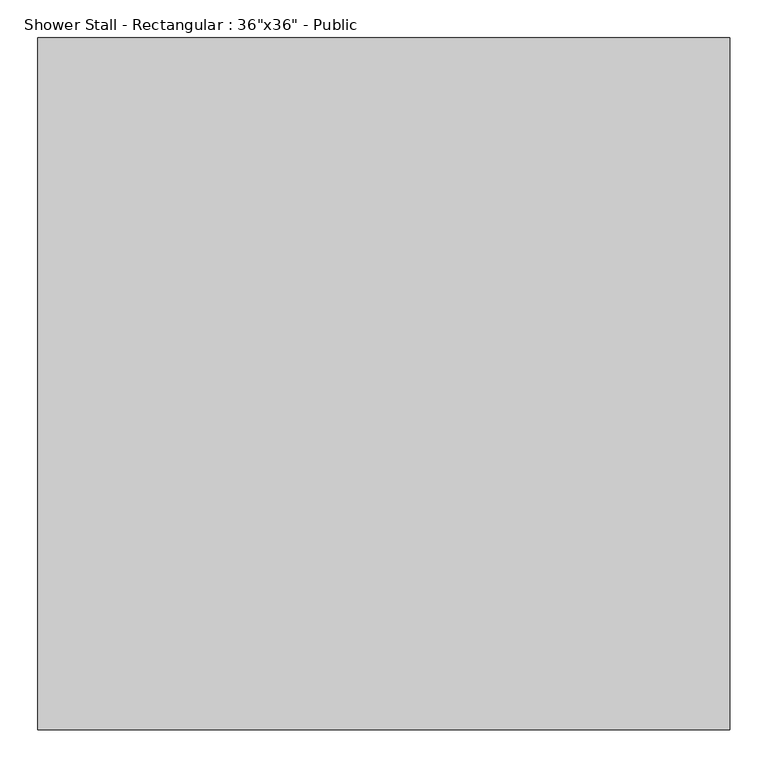
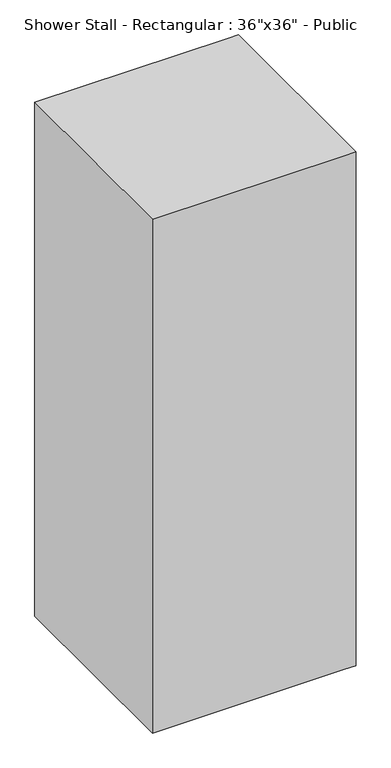
"""IFC4 building model written with IfcOpenShell, lengths in millimetres: flow terminal geometry."""

from ifc_helpers import new_model, si_unit, point, frame, frame_2d, origin, origin_with_axes, place, context, project, spatial, polyline, circle_curve, trimmed, segment, composite_curve, outline, extrude, faceted_brep, source, transform, mapped, element, save


def flow_terminal_f7639dc1(model_context):
    return source(origin(), model_context, "Body", "SolidModel", [
        extrude(outline(composite_curve([segment(trimmed(circle_curve(frame_2d((457.2, 457.2)), 31.75), [point((425.45, 457.2))], [point((488.95, 457.2))], False, "CARTESIAN"), True, "CONTINUOUS"), segment(trimmed(circle_curve(frame_2d((457.2, 457.2)), 31.75), [point((488.95, 457.2))], [point((425.45, 457.2))], False, "CARTESIAN"), True, "CONTINUOUS")], self_intersect=False)), origin_with_axes(), (0.0, 0.0, 1.0), 101.6),
        faceted_brep([(0.0, 914.4, 2438.4), (0.0, 0.0, 2438.4), (863.6, 0.0, 2438.4), (914.4, 0.0, 2438.4), (914.4, 914.4, 2438.4), (863.6, 914.4, 2438.4), (0.0, 0.0, 0.0), (0.0, 914.4, 0.0), (863.6, 914.4, 0.0), (914.4, 914.4, 0.0), (914.4, 0.0, 0.0), (863.6, 0.0, 0.0), (914.4, 171.45, 2362.2), (914.4, 742.95, 2362.2), (914.4, 742.95, 101.6), (914.4, 171.45, 101.6), (50.8, 863.6, 2362.2), (50.8, 50.8, 2362.2), (50.8, 50.8, 101.6), (50.8, 863.6, 101.6), (863.6, 863.6, 2362.2), (863.6, 742.95, 2362.2), (863.6, 171.45, 2362.2), (863.6, 50.8, 2362.2), (863.6, 50.8, 101.6), (863.6, 171.45, 101.6), (863.6, 742.95, 101.6), (863.6, 863.6, 101.6)], [[[0, 1, 2, 3, 4, 5]], [[6, 7, 8, 9, 10, 11]], [[4, 9, 8, 7, 0, 5]], [[1, 0, 7, 6]], [[1, 6, 11, 10, 3, 2]], [[9, 4, 3, 10], [12, 13, 14, 15]], [[16, 17, 18, 19]], [[17, 16, 20, 21, 13, 12, 22, 23]], [[18, 17, 23, 24]], [[19, 18, 24, 25, 15, 14, 26, 27]], [[16, 19, 27, 20]], [[26, 21, 20, 27]], [[14, 13, 21, 26]], [[12, 15, 25, 22]], [[22, 25, 24, 23]]]),
        extrude(outline(polyline([(901.7, 742.95), (901.7, 171.45), (869.95, 171.45), (869.95, 177.8), (895.35, 177.8), (895.35, 736.6), (869.95, 736.6), (869.95, 742.95), (901.7, 742.95)])), frame((0.0, 0.0, 762.0), z_axis=(0.0, 0.0, 1.0), x_axis=(1.0, 0.0, 0.0)), (0.0, 0.0, 1.0), 76.2),
        extrude(outline(polyline([(869.95, 742.95), (869.95, 171.45), (863.6, 171.45), (863.6, 742.95), (869.95, 742.95)])), frame((0.0, 0.0, 101.6), z_axis=(0.0, 0.0, 1.0), x_axis=(1.0, 0.0, 0.0)), (0.0, 0.0, 1.0), 2260.6),
    ])


if __name__ == "__main__":
    model = new_model("IFC4")
    model_context = context("Model", 3, world=origin())
    ifc_project = project(units=[si_unit("LENGTHUNIT", "METRE", prefix="MILLI")], contexts=[model_context])
    site = spatial("IfcSite", under=ifc_project)
    building = spatial("IfcBuilding", under=site)
    placement = place(None, origin())
    flow_terminal_shape = flow_terminal_f7639dc1(model_context)
    element("IfcFlowTerminal", 1, ObjectType="Shower Stall - Rectangular : 36\"x36\" - Public", at=placement, inside=building, context=model_context, shape_type="MappedRepresentation", body=[
        mapped(flow_terminal_shape, transform((0.0, 0.0, 0.0), x_axis=(1.0, 0.0, 0.0), y_axis=(0.0, 1.0, 0.0), z_axis=(0.0, 0.0, 1.0))),
    ])
    save(model, "model.ifc")
